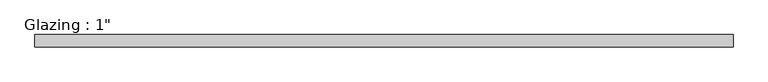
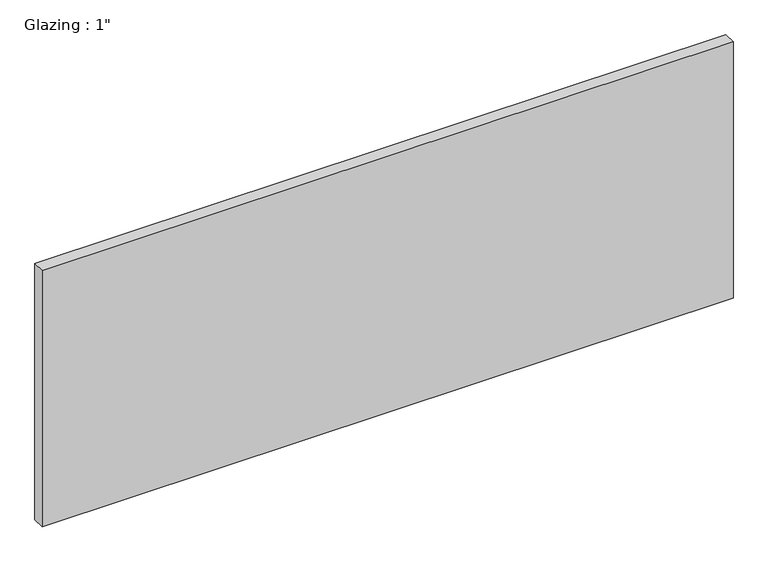
"""IFC4 building model written with IfcOpenShell, lengths in millimetres: plate geometry."""

from ifc_helpers import new_model, si_unit, origin, origin_with_axes, place, context, project, spatial, polyline, outline, extrude, source, transform, mapped, element, save


def plate_ccfcf581(model_context):
    return source(origin(), model_context, "Body", "SweptSolid", [
        extrude(outline(polyline([(713.834995, 12.7), (713.834995, -12.7), (-713.834995, -12.7), (-713.834995, 12.7), (713.834995, 12.7)])), origin_with_axes(), (0.0, 0.0, 1.0), 560.0039722),
    ])


if __name__ == "__main__":
    model = new_model("IFC4")
    model_context = context("Model", 3, world=origin())
    ifc_project = project(units=[si_unit("LENGTHUNIT", "METRE", prefix="MILLI")], contexts=[model_context])
    site = spatial("IfcSite", under=ifc_project)
    building = spatial("IfcBuilding", under=site)
    placement = place(None, origin())
    plate_shape = plate_ccfcf581(model_context)
    element("IfcPlate", 1, ObjectType="Glazing : 1\"", at=placement, inside=building, context=model_context, shape_type="MappedRepresentation", body=[
        mapped(plate_shape, transform((0.0, 0.0, 0.0), x_axis=(1.0, 0.0, 0.0), y_axis=(0.0, 1.0, 0.0), z_axis=(0.0, 0.0, 1.0))),
    ])
    save(model, "model.ifc")
